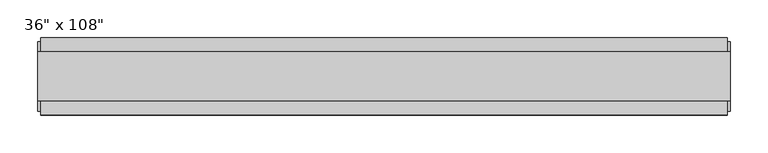
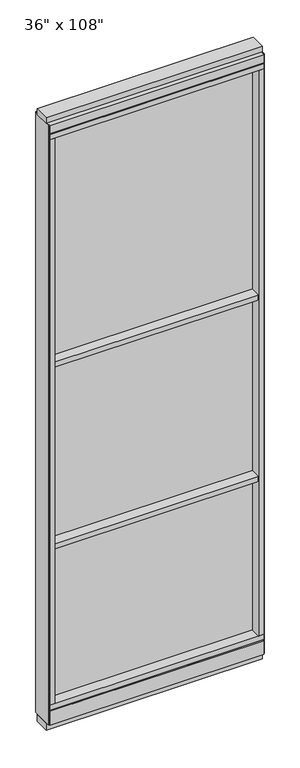
"""IFC4 building model written with IfcOpenShell, lengths in millimetres: furniture geometry."""

from ifc_helpers import new_model, si_unit, frame, origin, origin_with_axes, place, context, project, spatial, polyline, outline, extrude, source, transform, mapped, element, save


def furniture_354cbdc3(model_context):
    return source(origin(), model_context, "Body", "SweptSolid", [
        extrude(outline(polyline([(-491.0745229, -52.3332216), (-491.0745229, 43.2977784), (371.0014771, 43.2977784), (371.0014771, -52.3332216), (-491.0745229, -52.3332216)])), frame((0.0, 0.0, 1625.6), z_axis=(0.0, 0.0, 1.0), x_axis=(1.0, 0.0, 0.0)), (0.0, 0.0, 1.0), 22.225),
        extrude(outline(polyline([(-491.0745229, -52.3332216), (-491.0745229, 43.2977784), (371.0014771, 43.2977784), (371.0014771, -52.3332216), (-491.0745229, -52.3332216)])), frame((0.0, 0.0, 812.8), z_axis=(0.0, 0.0, 1.0), x_axis=(1.0, 0.0, 0.0)), (0.0, 0.0, 1.0), 22.225),
        extrude(outline(polyline([(371.0014771, -9.5977216), (-491.0745229, -9.5977216), (-491.0745229, 0.5622784), (371.0014771, 0.5622784), (371.0014771, -9.5977216)])), frame((0.0, 0.0, 120.523), z_axis=(0.0, 0.0, 1.0), x_axis=(1.0, 0.0, 0.0)), (0.0, 0.0, 1.0), 2533.777),
        extrude(outline(polyline([(-55.3177216, 93.345), (-50.3647216, 93.345), (-50.3647216, 98.298), (41.3292784, 98.298), (41.3292784, 93.345), (46.2822784, 93.345), (46.2822784, 31.75), (-55.3177216, 31.75), (-55.3177216, 93.345)])), frame((-513.2995229, 0.0, 0.0), z_axis=(1.0, 0.0, 0.0), x_axis=(0.0, 1.0, 0.0)), (0.0, 0.0, 1.0), 906.526),
        extrude(outline(polyline([(-513.2995229, -55.3177216), (-513.2995229, 46.2822784), (393.2264771, 46.2822784), (393.2264771, -55.3177216), (-513.2995229, -55.3177216)])), frame((0.0, 0.0, 98.298), z_axis=(0.0, 0.0, 1.0), x_axis=(1.0, 0.0, 0.0)), (0.0, 0.0, 1.0), 22.225),
        extrude(outline(polyline([(397.1634771, 27.9942784), (397.1634771, -37.0297216), (-517.2365229, -37.0297216), (-517.2365229, 27.9942784), (397.1634771, 27.9942784)])), origin_with_axes(), (0.0, 0.0, 1.0), 31.75),
        extrude(outline(polyline([(-517.2365229, -37.0297216), (-517.2365229, 27.9942784), (397.1634771, 27.9942784), (397.1634771, -37.0297216), (-517.2365229, -37.0297216)])), frame((0.0, 0.0, 2717.8), z_axis=(0.0, 0.0, 1.0), x_axis=(1.0, 0.0, 0.0)), (0.0, 0.0, 1.0), 25.4),
        extrude(outline(polyline([(-55.3177216, 2681.478), (-55.3177216, 2717.8), (46.2822784, 2717.8), (46.2822784, 2681.478), (41.3292784, 2681.478), (41.3292784, 2676.525), (-50.3647216, 2676.525), (-50.3647216, 2681.478), (-55.3177216, 2681.478)])), frame((-513.2995229, 0.0, 0.0), z_axis=(1.0, 0.0, 0.0), x_axis=(0.0, 1.0, 0.0)), (0.0, 0.0, 1.0), 906.526),
        extrude(outline(polyline([(393.2264771, 46.2822784), (393.2264771, -55.3177216), (-513.2995229, -55.3177216), (-513.2995229, 46.2822784), (393.2264771, 46.2822784)])), frame((0.0, 0.0, 2654.3), z_axis=(0.0, 0.0, 1.0), x_axis=(1.0, 0.0, 0.0)), (0.0, 0.0, 1.0), 22.225),
        extrude(outline(polyline([(371.0014771, -55.3177216), (371.0014771, 46.2822784), (393.2264771, 46.2822784), (393.2264771, -55.3177216), (371.0014771, -55.3177216)])), frame((0.0, 0.0, 120.523), z_axis=(0.0, 0.0, 1.0), x_axis=(1.0, 0.0, 0.0)), (0.0, 0.0, 1.0), 2533.777),
        extrude(outline(polyline([(-491.0745229, -55.3177216), (-513.2995229, -55.3177216), (-513.2995229, 46.2822784), (-491.0745229, 46.2822784), (-491.0745229, -55.3177216)])), frame((0.0, 0.0, 120.523), z_axis=(0.0, 0.0, 1.0), x_axis=(1.0, 0.0, 0.0)), (0.0, 0.0, 1.0), 2533.777),
        extrude(outline(polyline([(397.1634771, -50.3647216), (393.2264771, -50.3647216), (393.2264771, 41.3292784), (397.1634771, 41.3292784), (397.1634771, -50.3647216)])), frame((0.0, 0.0, 31.75), z_axis=(0.0, 0.0, 1.0), x_axis=(1.0, 0.0, 0.0)), (0.0, 0.0, 1.0), 2686.05),
        extrude(outline(polyline([(-517.2365229, -50.3647216), (-517.2365229, 41.3292784), (-513.2995229, 41.3292784), (-513.2995229, -50.3647216), (-517.2365229, -50.3647216)])), frame((0.0, 0.0, 31.75), z_axis=(0.0, 0.0, 1.0), x_axis=(1.0, 0.0, 0.0)), (0.0, 0.0, 1.0), 2686.05),
    ])


if __name__ == "__main__":
    model = new_model("IFC4")
    model_context = context("Model", 3, world=origin())
    ifc_project = project(units=[si_unit("LENGTHUNIT", "METRE", prefix="MILLI")], contexts=[model_context])
    site = spatial("IfcSite", under=ifc_project)
    building = spatial("IfcBuilding", under=site)
    placement = place(None, origin())
    furniture_shape = furniture_354cbdc3(model_context)
    element("IfcFurniture", 1, ObjectType="36\" x 108\"", at=placement, inside=building, context=model_context, shape_type="MappedRepresentation", body=[
        mapped(furniture_shape, transform((0.0, 0.0, 0.0), x_axis=(1.0, 0.0, 0.0), y_axis=(0.0, 1.0, 0.0), z_axis=(0.0, 0.0, 1.0))),
    ])
    save(model, "model.ifc")
